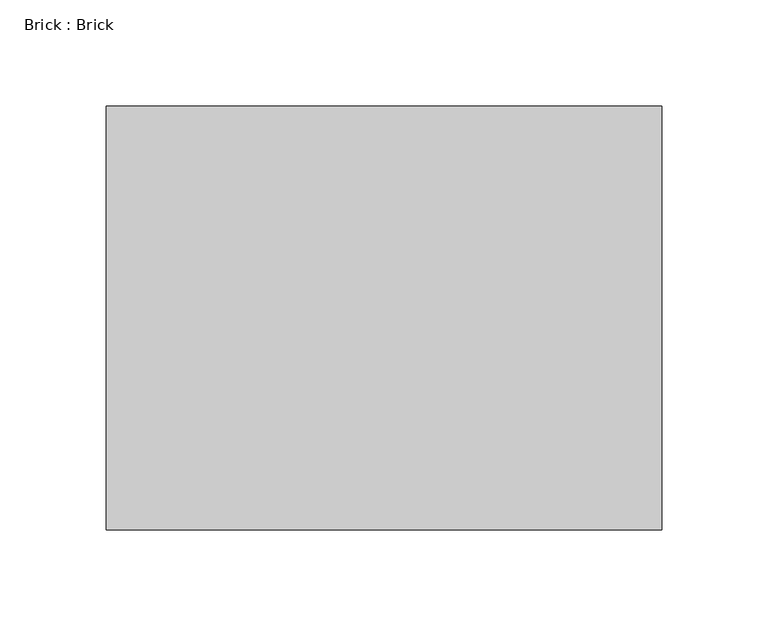
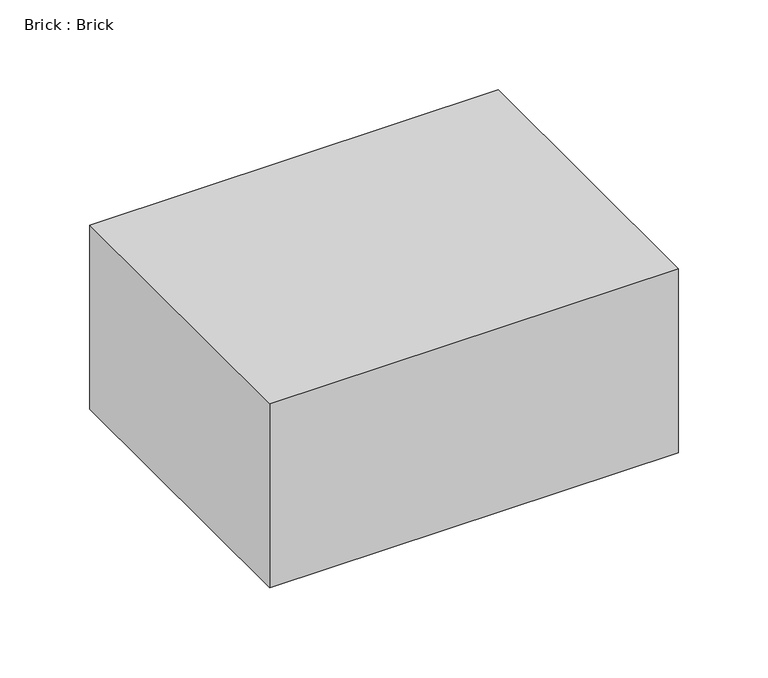
"""IFC4 building model written with IfcOpenShell, lengths in millimetres: proxy geometry, Brick : Brick."""

from ifc_helpers import new_model, si_unit, frame, origin, place, context, project, spatial, polyline, outline, extrude, source, transform, mapped, element, save


def brick_brick_93c4e329(model_context):
    return source(origin(), model_context, "Body", "SweptSolid", [
        extrude(outline(polyline([(131.1, 100.0), (131.1, -100.0), (-131.1, -100.0), (-131.1, 100.0), (131.1, 100.0)])), frame((0.0, 0.0, -62.5), z_axis=(0.0, 0.0, 1.0), x_axis=(1.0, 0.0, 0.0)), (0.0, 0.0, 1.0), 125.0),
    ])


if __name__ == "__main__":
    model = new_model("IFC4")
    model_context = context("Model", 3, world=origin())
    ifc_project = project(units=[si_unit("LENGTHUNIT", "METRE", prefix="MILLI")], contexts=[model_context])
    site = spatial("IfcSite", under=ifc_project)
    building = spatial("IfcBuilding", under=site)
    placement = place(None, origin())
    brick_brick_shape = brick_brick_93c4e329(model_context)
    element("IfcBuildingElementProxy", 1, Name="Brick : Brick", ObjectType="Brick : Brick", at=placement, inside=building, context=model_context, shape_type="MappedRepresentation", body=[
        mapped(brick_brick_shape, transform((0.0, 0.0, 0.0), x_axis=(1.0, 0.0, 0.0), y_axis=(0.0, 1.0, 0.0), z_axis=(0.0, 0.0, 1.0))),
    ])
    save(model, "model.ifc")
